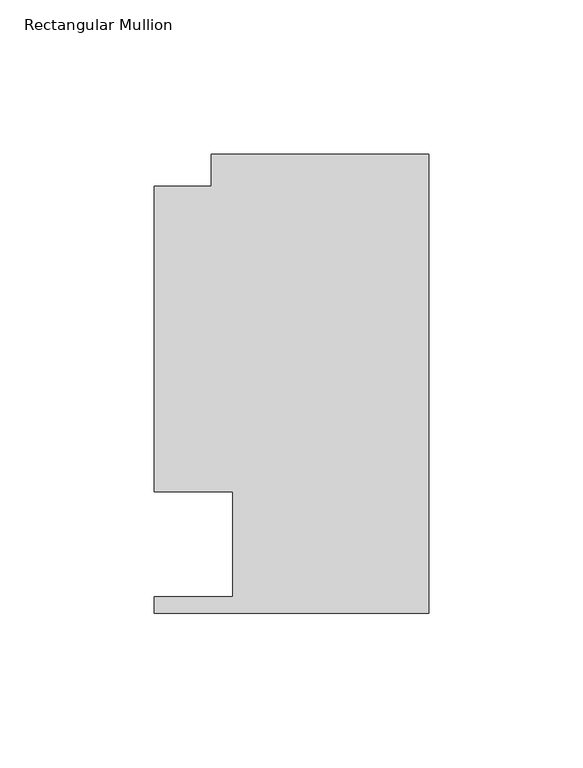
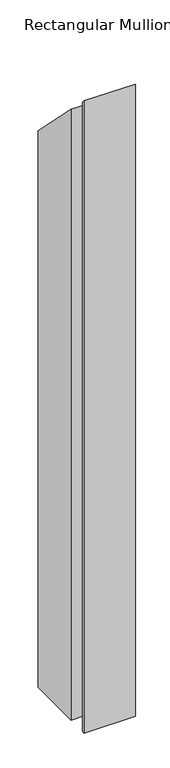
"""IFC4 building model written with IfcOpenShell, lengths in millimetres: member geometry, Rectangular Mullion."""

from ifc_helpers import new_model, si_unit, origin, place, context, project, spatial, faceted_brep, source, transform, mapped, element, save


def rectangular_mullion_aea23939(model_context):
    return source(origin(), model_context, "Body", "Brep", [
        faceted_brep([(0.0, 148.737016, -1161.0538437), (0.0, 0.0198437, -1161.0538437), (-88.9090899, 0.0198437, -1161.0538437), (-88.9090899, 5.3538437, -1161.0538437), (-63.5090899, 5.3538437, -1161.0538437), (-63.5090899, 39.3898438, -1161.0538437), (-88.9090899, 39.3898438, -1161.0538437), (-88.9090899, 138.3230199, -1161.0538437), (-70.3924898, 138.3230199, -1161.0538437), (-70.3924898, 148.737016, -1161.0538437), (-70.3924898, 148.737016, -148.737016), (0.0, 148.737016, -148.737016), (-70.3924898, 138.3230199, -138.3230199), (-88.9090899, 138.3230199, -138.3230199), (-88.9090899, 39.3898438, -39.3898438), (-63.5090899, 39.3898438, -39.3898438), (-63.5090899, 5.3538437, -5.3538437), (-88.9090899, 5.3538437, -5.3538437), (-88.9090899, 0.0198437, -0.0198437), (0.0, 0.0198437, -0.0198437)], [[[0, 1, 2, 3, 4, 5, 6, 7, 8, 9]], [[10, 11, 0, 9]], [[12, 10, 9, 8]], [[13, 12, 8, 7]], [[14, 13, 7, 6]], [[15, 14, 6, 5]], [[16, 15, 5, 4]], [[17, 16, 4, 3]], [[18, 17, 3, 2]], [[19, 18, 2, 1]], [[11, 19, 1, 0]], [[11, 10, 12, 13, 14, 15, 16, 17, 18, 19]]]),
    ])


if __name__ == "__main__":
    model = new_model("IFC4")
    model_context = context("Model", 3, world=origin())
    ifc_project = project(units=[si_unit("LENGTHUNIT", "METRE", prefix="MILLI")], contexts=[model_context])
    site = spatial("IfcSite", under=ifc_project)
    building = spatial("IfcBuilding", under=site)
    placement = place(None, origin())
    rectangular_mullion_shape = rectangular_mullion_aea23939(model_context)
    element("IfcMember", 1, ObjectType="Rectangular Mullion", at=placement, inside=building, context=model_context, shape_type="MappedRepresentation", body=[
        mapped(rectangular_mullion_shape, transform((0.0, 0.0, 0.0), x_axis=(1.0, 0.0, 0.0), y_axis=(0.0, 1.0, 0.0), z_axis=(0.0, 0.0, 1.0))),
    ])
    save(model, "model.ifc")
